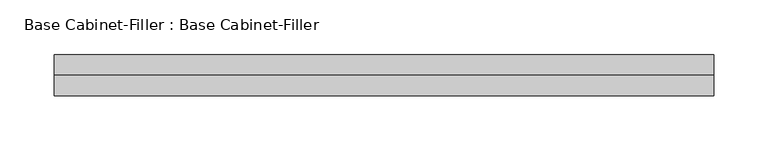
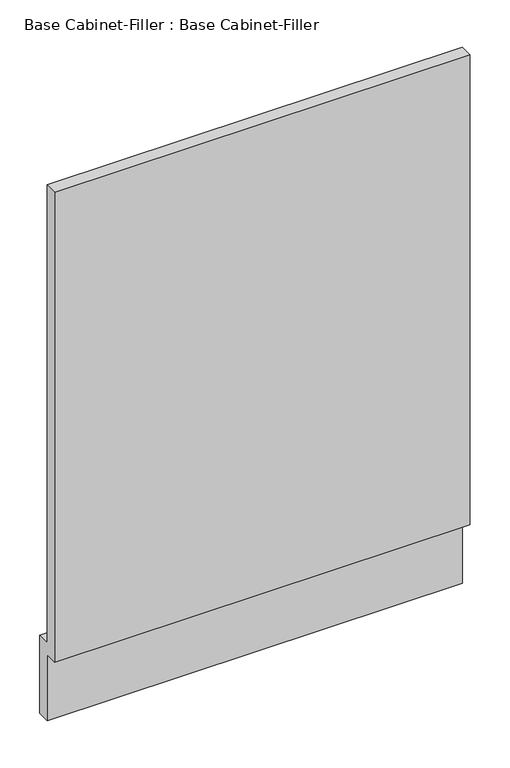
"""IFC4 building model written with IfcOpenShell, lengths in millimetres: furniture geometry, Base Cabinet-Filler : Base Cabinet-Filler."""

from ifc_helpers import new_model, si_unit, frame, origin, place, context, project, spatial, polyline, outline, extrude, source, transform, mapped, element, save


def base_cabinet_filler_base_cabinet_filler_e0d1bd06(model_context):
    return source(origin(), model_context, "Body", "SweptSolid", [
        extrude(outline(polyline([(-590.55, 101.6), (-590.55, 825.5), (-571.5, 825.5), (-571.5, 120.65), (-552.45, 120.65), (-552.45, 0.0), (-571.5, 0.0), (-571.5, 101.6), (-590.55, 101.6)])), frame((-283.9622951, 0.0, 0.0), z_axis=(1.0, 0.0, 0.0), x_axis=(0.0, 1.0, 0.0)), (0.0, 0.0, 1.0), 605.4),
    ])


if __name__ == "__main__":
    model = new_model("IFC4")
    model_context = context("Model", 3, world=origin())
    ifc_project = project(units=[si_unit("LENGTHUNIT", "METRE", prefix="MILLI")], contexts=[model_context])
    site = spatial("IfcSite", under=ifc_project)
    building = spatial("IfcBuilding", under=site)
    placement = place(None, origin())
    base_cabinet_filler_base_cabinet_filler_shape = base_cabinet_filler_base_cabinet_filler_e0d1bd06(model_context)
    element("IfcFurniture", 1, ObjectType="Base Cabinet-Filler : Base Cabinet-Filler", at=placement, inside=building, context=model_context, shape_type="MappedRepresentation", body=[
        mapped(base_cabinet_filler_base_cabinet_filler_shape, transform((0.0, 0.0, 0.0), x_axis=(1.0, 0.0, 0.0), y_axis=(0.0, 1.0, 0.0), z_axis=(0.0, 0.0, 1.0))),
    ])
    save(model, "model.ifc")
